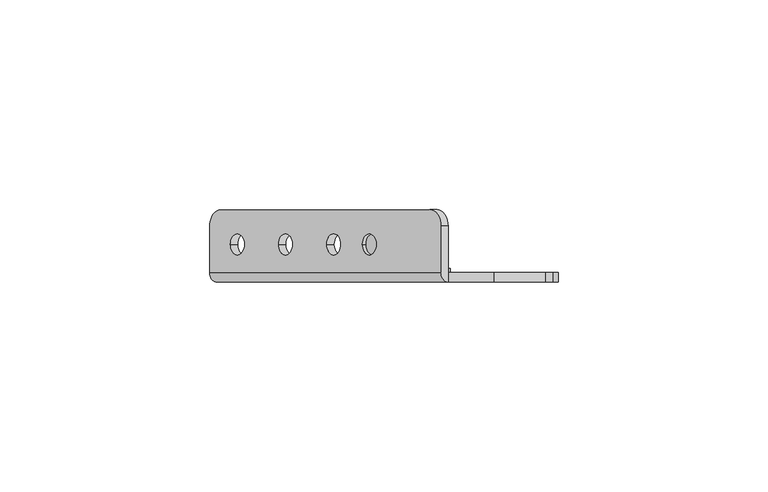
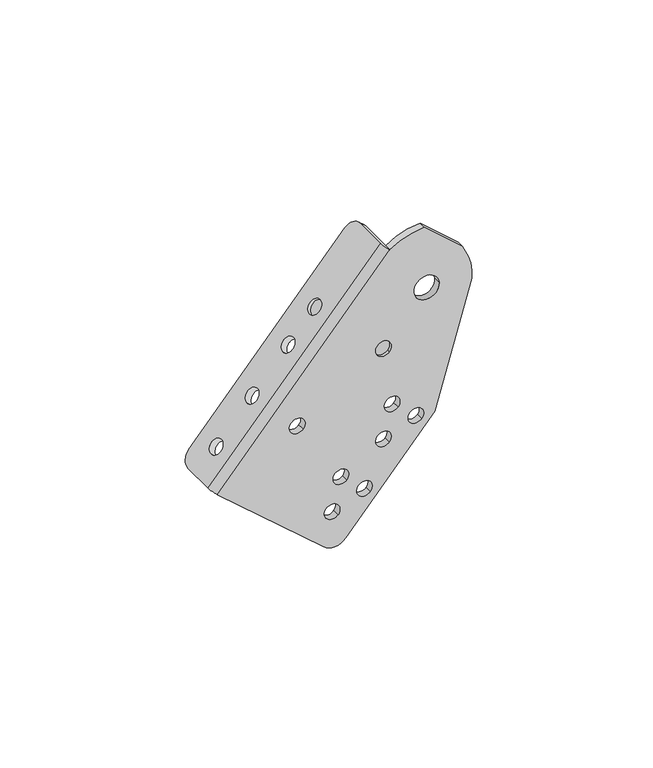
"""IFC4 building model written with IfcOpenShell, lengths in millimetres: proxy geometry."""

from ifc_helpers import new_model, si_unit, frame, origin, place, context, project, spatial, polyline, circle_curve, source, transform, mapped, element, save
from ifc_brep_helpers import plane_surface, cylinder_surface, revolved_surface, advanced_brep


def mechanical_equipment_f65ad58a(model_context):
    return source(origin(), model_context, "Body", "AdvancedBrep", [
        advanced_brep(
        [(-36.1097078, 12.2834534, -4.1078157), (-38.7119955, 16.2499985, -7.1014052), (-88.5847766, 16.2499985, -64.473477), (-91.2086869, 12.196215, -67.4919405), (-91.2086869, 1.2499985, -67.4919405), (-36.0997285, 1.2499985, -4.0963358), (-86.2882442, 7.953236, -61.8316186), (-83.0079491, 7.953236, -58.0580707), (-74.8072112, 7.953236, -48.624201), (-71.5269161, 7.953236, -44.8506531), (-63.3261782, 7.953236, -35.4167833), (-60.0458831, 7.953236, -31.6432354), (-54.7974108, 7.9499985, -25.6055588), (-51.5171157, 7.9499985, -21.8320109), (-89.4728549, 12.196215, -69.0008763), (-86.8489446, 16.1957184, -65.9824127), (-36.9761635, 16.2499985, -8.610341), (-34.3738758, 12.2834534, -5.6167514), (-34.3638965, 1.2499985, -5.6052715), (-89.4728549, 1.2499985, -69.0008763), (-84.5524122, 7.953236, -63.3405544), (-81.272117, 7.953236, -59.5670065), (-73.0713792, 7.953236, -50.1331368), (-69.791084, 7.953236, -46.3595889), (-61.5903462, 7.953236, -36.9257191), (-58.310051, 7.953236, -33.1521712), (-49.7812836, 7.9499985, -23.3409467), (-53.0615788, 7.9499985, -27.1144946), (-34.3638965, -1.0500015, -5.6052715), (-55.5109238, 1.2499985, -98.5235326), (-55.5109238, -1.0500015, -98.5235326), (-89.4728549, -1.0500015, -69.0008763), (-54.0427012, 7.9499985, -26.2616178), (-50.7624061, 7.9499985, -22.4880699), (-48.4570807, -1.0500015, -98.0302798), (-19.9737071, -1.0500015, -65.2639067), (-8.2342794, -1.0500015, -24.3236567), (-9.3657766, -1.0500015, -16.5482615), (-11.1544715, -1.0500015, -12.5307869), (-23.356379, -1.0500015, -1.9238305), (-18.6219295, -1.0500015, -22.1669169), (-26.6024419, -1.0500015, -22.7249687), (-65.8330954, -1.0500015, -53.1127483), (-62.0595475, -1.0500015, -56.3930435), (-35.4843229, -1.0500015, -56.3068064), (-31.710775, -1.0500015, -59.5871015), (-27.9372271, -1.0500015, -62.8673967), (-24.1636792, -1.0500015, -66.1476918), (-38.2713653, -1.0500015, -67.1341973), (-34.4978174, -1.0500015, -70.4144925), (-51.8857987, -1.0500015, -75.1745459), (-48.1122508, -1.0500015, -78.454841), (-44.3387029, -1.0500015, -81.7351362), (-40.5651549, -1.0500015, -85.0154313), (-54.672841, -1.0500015, -86.0019368), (-50.8992931, -1.0500015, -89.282232), (-38.2761993, -1.0500015, -36.6546964), (-34.5026514, -1.0500015, -39.9349916), (-23.356379, 1.2499985, -1.9238305), (-11.1544715, 1.2499985, -12.5307869), (-9.3657766, 1.2499985, -16.5482615), (-8.2342794, 1.2499985, -24.3236567), (-19.9737071, 1.2499985, -65.2639067), (-48.4570807, 1.2499985, -98.0302798), (-18.6219295, 1.2499985, -22.1669169), (-26.6024419, 1.2499985, -22.7249687), (-65.8330954, 1.2499985, -53.1127483), (-62.0595475, 1.2499985, -56.3930435), (-35.4843229, 1.2499985, -56.3068064), (-31.710775, 1.2499985, -59.5871015), (-27.9372271, 1.2499985, -62.8673967), (-24.1636792, 1.2499985, -66.1476918), (-38.2713653, 1.2499985, -67.1341973), (-34.4978174, 1.2499985, -70.4144925), (-51.8857987, 1.2499985, -75.1745459), (-48.1122508, 1.2499985, -78.454841), (-44.3387029, 1.2499985, -81.7351362), (-40.5651549, 1.2499985, -85.0154313), (-54.672841, 1.2499985, -86.0019368), (-50.8992931, 1.2499985, -89.282232), (-33.8955152, 1.2499985, -38.1204528), (-38.2761993, 1.2499985, -36.6546964), (-38.8833354, 1.2499985, -38.4692352), (-34.5026514, 1.2499985, -39.9349916), (-33.8955152, -0.0500015, -38.1204528), (-38.2761993, -0.0500015, -36.6546964), (-38.8833354, -0.0500015, -38.4692352), (-34.5026514, -0.0500015, -39.9349916), (-33.8955152, 2.2499985, -38.1204528), (-38.8833354, 2.2499985, -38.4692352), (-52.3068692, 7.9499985, -27.7705536), (-49.0265741, 7.9499985, -23.9970057)],
        [
            (0, 1, circle_curve(frame((-38.7119955, 12.2834534, -7.1014052), z_axis=(-0.754709580222771, 0.0, 0.6560590289905086), x_axis=(-0.6560590289905085, 0.0, -0.7547095802227708)), 3.9665451)),
            (1, 2),
            (2, 3, circle_curve(frame((-88.5847766, 12.196215, -64.473477), z_axis=(-0.754709580222771, 0.0, 0.6560590289905086), x_axis=(-0.6560590289905085, 0.0, -0.7547095802227708)), 3.9995034)),
            (3, 4),
            (4, 5),
            (5, 0),
            (6, 7, circle_curve(frame((-84.6480966, 7.953236, -59.9448447), z_axis=(0.7547095802227708, 0.0, -0.6560590289905086), x_axis=(0.6560590289905086, 0.0, 0.7547095802227708)), 2.5)),
            (7, 6, circle_curve(frame((-84.6480966, 7.953236, -59.9448447), z_axis=(0.7547095802227708, 0.0, -0.6560590289905086), x_axis=(0.6560590289905086, 0.0, 0.7547095802227708)), 2.5)),
            (8, 9, circle_curve(frame((-73.1670636, 7.953236, -46.737427), z_axis=(0.7547095802227708, 0.0, -0.6560590289905086), x_axis=(0.6560590289905086, 0.0, 0.7547095802227708)), 2.5)),
            (9, 8, circle_curve(frame((-73.1670636, 7.953236, -46.737427), z_axis=(0.7547095802227708, 0.0, -0.6560590289905086), x_axis=(0.6560590289905086, 0.0, 0.7547095802227708)), 2.5)),
            (10, 11, circle_curve(frame((-61.6860306, 7.953236, -33.5300094), z_axis=(0.7547095802227708, 0.0, -0.6560590289905086), x_axis=(0.6560590289905086, 0.0, 0.7547095802227708)), 2.5)),
            (11, 10, circle_curve(frame((-61.6860306, 7.953236, -33.5300094), z_axis=(0.7547095802227708, 0.0, -0.6560590289905086), x_axis=(0.6560590289905086, 0.0, 0.7547095802227708)), 2.5)),
            (12, 13, circle_curve(frame((-53.1572632, 7.9499985, -23.7187848), z_axis=(0.7547095802227708, 0.0, -0.6560590289905086), x_axis=(0.6560590289905086, 0.0, 0.7547095802227708)), 2.5)),
            (13, 12, circle_curve(frame((-53.1572632, 7.9499985, -23.7187848), z_axis=(0.7547095802227708, 0.0, -0.6560590289905086), x_axis=(0.6560590289905086, 0.0, 0.7547095802227708)), 2.5)),
            (14, 15, circle_curve(frame((-86.8489446, 12.196215, -65.9824127), z_axis=(0.754709580222771, 0.0, -0.6560590289905086), x_axis=(-0.6560590289905085, 0.0, -0.7547095802227708)), 3.9995034)),
            (15, 16),
            (16, 17, circle_curve(frame((-36.9761635, 12.2834534, -8.610341), z_axis=(0.754709580222771, 0.0, -0.6560590289905086), x_axis=(-0.6560590289905085, 0.0, -0.7547095802227708)), 3.9665451)),
            (17, 18),
            (18, 19),
            (19, 14),
            (20, 21, circle_curve(frame((-82.9122646, 7.953236, -61.4537805), z_axis=(-0.7547095802227708, 0.0, 0.6560590289905086), x_axis=(0.6560590289905086, 0.0, 0.7547095802227708)), 2.5)),
            (21, 20, circle_curve(frame((-82.9122646, 7.953236, -61.4537805), z_axis=(-0.7547095802227708, 0.0, 0.6560590289905086), x_axis=(0.6560590289905086, 0.0, 0.7547095802227708)), 2.5)),
            (22, 23, circle_curve(frame((-71.4312316, 7.953236, -48.2463628), z_axis=(-0.7547095802227708, 0.0, 0.6560590289905086), x_axis=(0.6560590289905086, 0.0, 0.7547095802227708)), 2.5)),
            (23, 22, circle_curve(frame((-71.4312316, 7.953236, -48.2463628), z_axis=(-0.7547095802227708, 0.0, 0.6560590289905086), x_axis=(0.6560590289905086, 0.0, 0.7547095802227708)), 2.5)),
            (24, 25, circle_curve(frame((-59.9501986, 7.953236, -35.0389451), z_axis=(-0.7547095802227708, 0.0, 0.6560590289905086), x_axis=(0.6560590289905086, 0.0, 0.7547095802227708)), 2.5)),
            (25, 24, circle_curve(frame((-59.9501986, 7.953236, -35.0389451), z_axis=(-0.7547095802227708, 0.0, 0.6560590289905086), x_axis=(0.6560590289905086, 0.0, 0.7547095802227708)), 2.5)),
            (26, 27, circle_curve(frame((-51.4214312, 7.9499985, -25.2277206), z_axis=(-0.7547095802227715, 0.0, 0.6560590289905078), x_axis=(0.6560590289905078, 0.0, 0.7547095802227715)), 2.5)),
            (27, 26, circle_curve(frame((-51.4214312, 7.9499985, -25.2277206), z_axis=(-0.7547095802227715, 0.0, 0.6560590289905078), x_axis=(0.6560590289905078, 0.0, 0.7547095802227715)), 2.5)),
            (17, 0),
            (5, 28, circle_curve(frame((-34.3638965, 1.2499985, -5.6052715), z_axis=(0.6560590289905086, 0.0, 0.7547095802227711), x_axis=(0.0, -1.0, 0.0)), 2.3)),
            (28, 18),
            (16, 1),
            (15, 2),
            (14, 3),
            (19, 29),
            (29, 30),
            (30, 31),
            (31, 4, circle_curve(frame((-89.4728549, 1.2499985, -69.0008763), z_axis=(-0.6560590289905086, 0.0, -0.7547095802227711), x_axis=(0.0, -1.0, 0.0)), 2.3)),
            (6, 20),
            (21, 7),
            (8, 22),
            (23, 9),
            (10, 24),
            (25, 11),
            (12, 32),
            (32, 33, circle_curve(frame((-52.4025537, 7.9499985, -24.3748439), z_axis=(0.7547095802227708, 0.0, -0.6560590289905086), x_axis=(0.6560590289905086, 0.0, 0.7547095802227708)), 2.5)),
            (33, 13),
            (33, 32, circle_curve(frame((-52.4025537, 7.9499985, -24.3748439), z_axis=(0.7547095802227708, 0.0, -0.6560590289905086), x_axis=(0.6560590289905086, 0.0, 0.7547095802227708)), 2.5)),
            (30, 34, circle_curve(frame((-52.2306286, -1.0500015, -94.7499847), z_axis=(0.0, -1.0, 0.0), x_axis=(0.9975640502598244, 0.0, 0.06975647374412236)), 5.0)),
            (34, 35),
            (35, 36),
            (36, 37, circle_curve(frame((-22.6121857, -1.0500015, -22.4459428), z_axis=(0.0, -1.0, 0.0), x_axis=(0.9975640502598244, 0.0, 0.06975647374412236)), 14.5)),
            (37, 38),
            (38, 39),
            (39, 28, circle_curve(frame((-22.6121857, -1.0500015, -22.4459428), z_axis=(0.0, -1.0, 0.0), x_axis=(0.9975640502598244, 0.0, 0.06975647374412236)), 20.5356012)),
            (28, 31),
            (40, 41, circle_curve(frame((-22.6121857, -1.0500015, -22.4459428), z_axis=(0.0, 1.0, 0.0), x_axis=(0.9975640502598244, 0.0, 0.06975647374412236)), 4.0)),
            (41, 40, circle_curve(frame((-22.6121857, -1.0500015, -22.4459428), z_axis=(0.0, 1.0, 0.0), x_axis=(0.9975640502598244, 0.0, 0.06975647374412236)), 4.0)),
            (42, 43, circle_curve(frame((-63.9463215, -1.0500015, -54.7528959), z_axis=(0.0, 1.0, 0.0), x_axis=(0.7547095802227715, 0.0, -0.6560590289905078)), 2.5)),
            (43, 42, circle_curve(frame((-63.9463215, -1.0500015, -54.7528959), z_axis=(0.0, 1.0, 0.0), x_axis=(0.7547095802227715, 0.0, -0.6560590289905078)), 2.5)),
            (44, 45, circle_curve(frame((-33.597549, -1.0500015, -57.946954), z_axis=(0.0, 1.0, 0.0), x_axis=(0.7547095802227715, 0.0, -0.6560590289905078)), 2.5)),
            (45, 44, circle_curve(frame((-33.597549, -1.0500015, -57.946954), z_axis=(0.0, 1.0, 0.0), x_axis=(0.7547095802227715, 0.0, -0.6560590289905078)), 2.5)),
            (46, 47, circle_curve(frame((-26.0504532, -1.0500015, -64.5075443), z_axis=(0.0, 1.0, 0.0), x_axis=(0.7547095802227715, 0.0, -0.6560590289905078)), 2.5)),
            (47, 46, circle_curve(frame((-26.0504532, -1.0500015, -64.5075443), z_axis=(0.0, 1.0, 0.0), x_axis=(0.7547095802227715, 0.0, -0.6560590289905078)), 2.5)),
            (48, 49, circle_curve(frame((-36.3845914, -1.0500015, -68.7743449), z_axis=(0.0, 1.0, 0.0), x_axis=(0.7547095802227715, 0.0, -0.6560590289905078)), 2.5)),
            (49, 48, circle_curve(frame((-36.3845914, -1.0500015, -68.7743449), z_axis=(0.0, 1.0, 0.0), x_axis=(0.7547095802227715, 0.0, -0.6560590289905078)), 2.5)),
            (50, 51, circle_curve(frame((-49.9990247, -1.0500015, -76.8146935), z_axis=(0.0, 1.0, 0.0), x_axis=(0.7547095802227715, 0.0, -0.6560590289905078)), 2.5)),
            (51, 50, circle_curve(frame((-49.9990247, -1.0500015, -76.8146935), z_axis=(0.0, 1.0, 0.0), x_axis=(0.7547095802227715, 0.0, -0.6560590289905078)), 2.5)),
            (52, 53, circle_curve(frame((-42.4519289, -1.0500015, -83.3752838), z_axis=(0.0, 1.0, 0.0), x_axis=(0.7547095802227715, 0.0, -0.6560590289905078)), 2.5)),
            (53, 52, circle_curve(frame((-42.4519289, -1.0500015, -83.3752838), z_axis=(0.0, 1.0, 0.0), x_axis=(0.7547095802227715, 0.0, -0.6560590289905078)), 2.5)),
            (54, 55, circle_curve(frame((-52.7860671, -1.0500015, -87.6420844), z_axis=(0.0, 1.0, 0.0), x_axis=(0.7547095802227715, 0.0, -0.6560590289905078)), 2.5)),
            (55, 54, circle_curve(frame((-52.7860671, -1.0500015, -87.6420844), z_axis=(0.0, 1.0, 0.0), x_axis=(0.7547095802227715, 0.0, -0.6560590289905078)), 2.5)),
            (56, 57, circle_curve(frame((-36.3894253, -1.0500015, -38.294844), z_axis=(0.0, 1.0, 0.0), x_axis=(0.7547095802227715, 0.0, -0.6560590289905078)), 2.5)),
            (57, 56, circle_curve(frame((-36.3894253, -1.0500015, -38.294844), z_axis=(0.0, 1.0, 0.0), x_axis=(0.7547095802227715, 0.0, -0.6560590289905078)), 2.5)),
            (18, 58, circle_curve(frame((-22.6121857, 1.2499985, -22.4459428), z_axis=(0.0, 1.0, 0.0), x_axis=(0.9975640502598244, 0.0, 0.06975647374412236)), 20.5356012)),
            (58, 59),
            (59, 60),
            (60, 61, circle_curve(frame((-22.6121857, 1.2499985, -22.4459428), z_axis=(0.0, 1.0, 0.0), x_axis=(0.9975640502598244, 0.0, 0.06975647374412236)), 14.5)),
            (61, 62),
            (62, 63),
            (63, 29, circle_curve(frame((-52.2306286, 1.2499985, -94.7499847), z_axis=(0.0, 1.0, 0.0), x_axis=(0.9975640502598244, 0.0, 0.06975647374412236)), 5.0)),
            (64, 65, circle_curve(frame((-22.6121857, 1.2499985, -22.4459428), z_axis=(0.0, -1.0, 0.0), x_axis=(0.9975640502598244, 0.0, 0.06975647374412236)), 4.0)),
            (65, 64, circle_curve(frame((-22.6121857, 1.2499985, -22.4459428), z_axis=(0.0, -1.0, 0.0), x_axis=(0.9975640502598244, 0.0, 0.06975647374412236)), 4.0)),
            (66, 67, circle_curve(frame((-63.9463215, 1.2499985, -54.7528959), z_axis=(0.0, -1.0, 0.0), x_axis=(0.7547095802227715, 0.0, -0.6560590289905078)), 2.5)),
            (67, 66, circle_curve(frame((-63.9463215, 1.2499985, -54.7528959), z_axis=(0.0, -1.0, 0.0), x_axis=(0.7547095802227715, 0.0, -0.6560590289905078)), 2.5)),
            (68, 69, circle_curve(frame((-33.597549, 1.2499985, -57.946954), z_axis=(0.0, -1.0, 0.0), x_axis=(0.7547095802227715, 0.0, -0.6560590289905078)), 2.5)),
            (69, 68, circle_curve(frame((-33.597549, 1.2499985, -57.946954), z_axis=(0.0, -1.0, 0.0), x_axis=(0.7547095802227715, 0.0, -0.6560590289905078)), 2.5)),
            (70, 71, circle_curve(frame((-26.0504532, 1.2499985, -64.5075443), z_axis=(0.0, -1.0, 0.0), x_axis=(0.7547095802227715, 0.0, -0.6560590289905078)), 2.5)),
            (71, 70, circle_curve(frame((-26.0504532, 1.2499985, -64.5075443), z_axis=(0.0, -1.0, 0.0), x_axis=(0.7547095802227715, 0.0, -0.6560590289905078)), 2.5)),
            (72, 73, circle_curve(frame((-36.3845914, 1.2499985, -68.7743449), z_axis=(0.0, -1.0, 0.0), x_axis=(0.7547095802227715, 0.0, -0.6560590289905078)), 2.5)),
            (73, 72, circle_curve(frame((-36.3845914, 1.2499985, -68.7743449), z_axis=(0.0, -1.0, 0.0), x_axis=(0.7547095802227715, 0.0, -0.6560590289905078)), 2.5)),
            (74, 75, circle_curve(frame((-49.9990247, 1.2499985, -76.8146935), z_axis=(0.0, -1.0, 0.0), x_axis=(0.7547095802227715, 0.0, -0.6560590289905078)), 2.5)),
            (75, 74, circle_curve(frame((-49.9990247, 1.2499985, -76.8146935), z_axis=(0.0, -1.0, 0.0), x_axis=(0.7547095802227715, 0.0, -0.6560590289905078)), 2.5)),
            (76, 77, circle_curve(frame((-42.4519289, 1.2499985, -83.3752838), z_axis=(0.0, -1.0, 0.0), x_axis=(0.7547095802227715, 0.0, -0.6560590289905078)), 2.5)),
            (77, 76, circle_curve(frame((-42.4519289, 1.2499985, -83.3752838), z_axis=(0.0, -1.0, 0.0), x_axis=(0.7547095802227715, 0.0, -0.6560590289905078)), 2.5)),
            (78, 79, circle_curve(frame((-52.7860671, 1.2499985, -87.6420844), z_axis=(0.0, -1.0, 0.0), x_axis=(0.7547095802227715, 0.0, -0.6560590289905078)), 2.5)),
            (79, 78, circle_curve(frame((-52.7860671, 1.2499985, -87.6420844), z_axis=(0.0, -1.0, 0.0), x_axis=(0.7547095802227715, 0.0, -0.6560590289905078)), 2.5)),
            (80, 81, circle_curve(frame((-36.3894253, 1.2499985, -38.294844), z_axis=(0.0, -1.0, 0.0), x_axis=(0.9975640502598244, 0.0, 0.06975647374412236)), 2.5)),
            (81, 82, circle_curve(frame((-36.3894253, 1.2499985, -38.294844), z_axis=(0.0, -1.0, 0.0), x_axis=(0.9975640502598244, 0.0, 0.06975647374412236)), 2.5)),
            (82, 83, circle_curve(frame((-36.3894253, 1.2499985, -38.294844), z_axis=(0.0, -1.0, 0.0), x_axis=(0.9975640502598244, 0.0, 0.06975647374412236)), 2.5)),
            (83, 80, circle_curve(frame((-36.3894253, 1.2499985, -38.294844), z_axis=(0.0, -1.0, 0.0), x_axis=(0.9975640502598244, 0.0, 0.06975647374412236)), 2.5)),
            (63, 34),
            (62, 35),
            (61, 36),
            (60, 37),
            (59, 38),
            (58, 39),
            (40, 64),
            (65, 41),
            (84, 85, circle_curve(frame((-36.3894253, -0.0500015, -38.294844), z_axis=(0.0, -1.0, 0.0), x_axis=(0.7547095802227715, 0.0, -0.6560590289905078)), 2.5)),
            (85, 86, circle_curve(frame((-36.3894253, -0.0500015, -38.294844), z_axis=(0.0, -1.0, 0.0), x_axis=(0.7547095802227715, 0.0, -0.6560590289905078)), 2.5)),
            (86, 87, circle_curve(frame((-36.3894253, -0.0500015, -38.294844), z_axis=(0.0, -1.0, 0.0), x_axis=(0.7547095802227715, 0.0, -0.6560590289905078)), 2.5)),
            (87, 84, circle_curve(frame((-36.3894253, -0.0500015, -38.294844), z_axis=(0.0, -1.0, 0.0), x_axis=(0.7547095802227715, 0.0, -0.6560590289905078)), 2.5)),
            (88, 89, circle_curve(frame((-36.3894253, 2.2499985, -38.294844), z_axis=(0.0, 1.0, 0.0), x_axis=(0.9975640502598244, 0.0, 0.06975647374412236)), 2.5)),
            (89, 88, circle_curve(frame((-36.3894253, 2.2499985, -38.294844), z_axis=(0.0, 1.0, 0.0), x_axis=(0.9975640502598244, 0.0, 0.06975647374412236)), 2.5)),
            (89, 82),
            (80, 88),
            (90, 91, circle_curve(frame((-50.6667216, 7.9499985, -25.8837796), z_axis=(0.7547095802227715, 0.0, -0.6560590289905078), x_axis=(0.6560590289905078, 0.0, 0.7547095802227715)), 2.5)),
            (91, 90, circle_curve(frame((-50.6667216, 7.9499985, -25.8837796), z_axis=(0.7547095802227715, 0.0, -0.6560590289905078), x_axis=(0.6560590289905078, 0.0, 0.7547095802227715)), 2.5)),
            (90, 27),
            (26, 91),
            (42, 66),
            (67, 43),
            (44, 68),
            (69, 45),
            (46, 70),
            (71, 47),
            (48, 72),
            (73, 49),
            (50, 74),
            (75, 51),
            (52, 76),
            (77, 53),
            (54, 78),
            (79, 55),
            (56, 85),
            (87, 57),
        ],
        [
            plane_surface(frame((-36.0997285, -1.0593878, -4.0963358), z_axis=(-0.7547095802227708, 0.0, 0.6560590289905086), x_axis=(0.0, 1.0, 0.0))),
            plane_surface(frame((-34.3638965, -1.0593878, -5.6052715), z_axis=(0.7547095802227708, 0.0, -0.6560590289905086), x_axis=(0.0, -1.0, 0.0))),
            plane_surface(frame((-36.0997285, -1.0500015, -4.0963358), z_axis=(0.6560590289905086, 0.0, 0.754709580222771), x_axis=(0.754709580222771, 0.0, -0.6560590289905086))),
            cylinder_surface(frame((-36.9761635, 12.2834534, -8.610341), z_axis=(-0.7547095802227708, 0.0, 0.6560590289905085), x_axis=(-0.6560590289905085, 0.0, -0.7547095802227708)), 3.9665451),
            plane_surface(frame((-38.7119955, 16.2499985, -7.1014052), z_axis=(0.0, 1.0000000000000002, 0.0), x_axis=(0.754709580222771, 0.0, -0.6560590289905086))),
            cylinder_surface(frame((-86.8489446, 12.196215, -65.9824127), z_axis=(-0.7547095802227708, 0.0, 0.6560590289905085), x_axis=(-0.6560590289905085, 0.0, -0.7547095802227708)), 3.9995034),
            plane_surface(frame((-91.2086869, 12.196215, -67.4919405), z_axis=(-0.6560590289905078, 0.0, -0.7547095802227715), x_axis=(0.7547095802227715, 0.0, -0.6560590289905078))),
            revolved_surface(polyline([(-81.27211702752373, 7.953236, -59.56700654944307), (-83.00794912463955, 7.953236, -58.05807072834455)]), (-82.9122646, 7.953236, -61.4537805), (0.7547095802227708, 0.0, -0.6560590289905086)),
            revolved_surface(polyline([(-69.79108398681413, 7.953236, -46.35958888483139), (-71.52691607512615, 7.953236, -44.850653071385906)]), (-71.4312316, 7.953236, -48.2463628), (0.7547095802227708, 0.0, -0.6560590289905086)),
            revolved_surface(polyline([(-58.310050986814126, 7.953236, -33.15217118483139), (-60.04588307512614, 7.953236, -31.643235371385902)]), (-59.9501986, 7.953236, -35.0389451), (0.7547095802227708, 0.0, -0.6560590289905086)),
            revolved_surface(polyline([(-50.76240607293986, 7.9499985, -22.488069919469), (-51.51711567512614, 7.9499985, -21.832010871385908)]), (-51.4214312, 7.9499985, -25.2277206), (0.7547095802227708, 0.0, -0.6560590289905086)),
            plane_surface(frame((-89.4728549, -1.0500015, -69.0008763), z_axis=(0.0, -1.0, 0.0), x_axis=(-0.6560590289905086, 0.0, -0.7547095802227708))),
            plane_surface(frame((-89.4728549, 1.2499985, -69.0008763), z_axis=(0.0, 1.0, 0.0), x_axis=(0.6560590289905086, 0.0, 0.7547095802227708))),
            cylinder_surface(frame((-52.2306286, 1.2499985, -94.7499847), z_axis=(0.0, -1.0, 0.0), x_axis=(0.9975640502598244, 0.0, 0.06975647374412236)), 5.0),
            plane_surface(frame((-48.4570807, -1.0500015, -98.0302798), z_axis=(0.7547095802227671, 0.0, -0.6560590289905128), x_axis=(0.0, 1.0, 0.0))),
            plane_surface(frame((-19.9737071, -1.0500015, -65.2639067), z_axis=(0.9612616959383191, 0.0, -0.2756373558169988), x_axis=(0.0, 1.0, 0.0))),
            cylinder_surface(frame((-22.6121857, 1.2499985, -22.4459428), z_axis=(0.0, -1.0, 0.0), x_axis=(0.9975640502598244, 0.0, 0.06975647374412236)), 14.5),
            plane_surface(frame((-9.3657766, -1.0500015, -16.5482615), z_axis=(0.9135454576426341, 0.0, 0.40673664307572577), x_axis=(0.0, 1.0, 0.0))),
            plane_surface(frame((-11.1544715, -1.0500015, -12.5307869), z_axis=(0.6560590289905057, 0.0, 0.7547095802227735), x_axis=(0.0, 1.0, 0.0))),
            cylinder_surface(frame((-22.6121857, 1.2499985, -22.4459428), z_axis=(0.0, -1.0, 0.0), x_axis=(0.9975640502598244, 0.0, 0.06975647374412236)), 20.5356012),
            revolved_surface(polyline([(-18.621929498960704, 1.2499985, -22.166916905023513), (-18.621929498960704, -1.0500014999999998, -22.166916905023513)]), (-22.6121857, 1.2499985, -22.4459428), (0.0, 1.0, 0.0)),
            plane_surface(frame((-33.8955152, -0.0500015, -38.1204528), z_axis=(0.0, -1.0, 0.0), x_axis=(-0.06975647374412236, 0.0, 0.9975640502598244))),
            plane_surface(frame((-33.8955152, 2.2499985, -38.1204528), z_axis=(0.0, 1.0, 0.0), x_axis=(0.06975647374412236, 0.0, -0.9975640502598244))),
            cylinder_surface(frame((-36.3894253, 2.2499985, -38.294844), z_axis=(0.0, -1.0, 0.0), x_axis=(0.9975640502598244, 0.0, 0.06975647374412236)), 2.5),
            plane_surface(frame((-49.0265741, 7.9499985, -23.9970057), z_axis=(0.7547095802227715, 0.0, -0.6560590289905078), x_axis=(0.0, -1.0, 0.0))),
            plane_surface(frame((-50.7624061, 7.9499985, -22.4880699), z_axis=(-0.7547095802227715, 0.0, 0.6560590289905078), x_axis=(0.0, 1.0, 0.0))),
            cylinder_surface(frame((-52.4025537, 7.9499985, -24.3748439), z_axis=(0.7547095802227715, 0.0, -0.6560590289905078), x_axis=(0.6560590289905078, 0.0, 0.7547095802227715)), 2.5),
            cylinder_surface(frame((-89.4728549, 1.2499985, -69.0008763), z_axis=(0.6560590289905085, 0.0, 0.7547095802227709), x_axis=(0.0, -1.0, 0.0)), 2.3),
            revolved_surface(polyline([(-62.059547549443074, 1.2499985, -56.393043472476265), (-62.059547549443074, -1.0500014999999998, -56.393043472476265)]), (-63.9463215, 1.2499985, -54.7528959), (0.0, 1.0, 0.0)),
            revolved_surface(polyline([(-31.710775049443072, 1.2499985, -59.587101572476264), (-31.710775049443072, -1.0500014999999998, -59.587101572476264)]), (-33.597549, 1.2499985, -57.946954), (0.0, 1.0, 0.0)),
            revolved_surface(polyline([(-24.16367924944307, 1.2499985, -66.14769187247627), (-24.16367924944307, -1.0500014999999998, -66.14769187247627)]), (-26.0504532, 1.2499985, -64.5075443), (0.0, 1.0, 0.0)),
            revolved_surface(polyline([(-34.49781744944307, 1.2499985, -70.41449247247627), (-34.49781744944307, -1.0500014999999998, -70.41449247247627)]), (-36.3845914, 1.2499985, -68.7743449), (0.0, 1.0, 0.0)),
            revolved_surface(polyline([(-48.11225074944307, 1.2499985, -78.45484107247627), (-48.11225074944307, -1.0500014999999998, -78.45484107247627)]), (-49.9990247, 1.2499985, -76.8146935), (0.0, 1.0, 0.0)),
            revolved_surface(polyline([(-40.56515494944307, 1.2499985, -85.01543137247627), (-40.56515494944307, -1.0500014999999998, -85.01543137247627)]), (-42.4519289, 1.2499985, -83.3752838), (0.0, 1.0, 0.0)),
            revolved_surface(polyline([(-50.89929314944307, 1.2499985, -89.28223197247627), (-50.89929314944307, -1.0500014999999998, -89.28223197247627)]), (-52.7860671, 1.2499985, -87.6420844), (0.0, 1.0, 0.0)),
            revolved_surface(polyline([(-34.50265134944307, -0.05000150000000003, -39.934991572476264), (-34.50265134944307, -1.0500014999999998, -39.934991572476264)]), (-36.3894253, 1.2499985, -38.294844), (0.0, 1.0, 0.0)),
        ],
        [
            (0, [[1, 2, 3, 4, 5, 6], [7, 8], [9, 10], [11, 12], [13, 14]]),
            (1, [[15, 16, 17, 18, 19, 20], [21, 22], [23, 24], [25, 26], [27, 28]]),
            (2, [[29, -6, 30, 31, -18]]),
            (3, [[-1, -29, -17, 32]]),
            (4, [[-2, -32, -16, 33]]),
            (5, [[-3, -33, -15, 34]]),
            (6, [[-34, -20, 35, 36, 37, 38, -4]]),
            (7, [[-7, 39, -22, 40]]),
            (7, [[-8, -40, -21, -39]]),
            (8, [[-9, 41, -24, 42]]),
            (8, [[-10, -42, -23, -41]]),
            (9, [[-11, 43, -26, 44]]),
            (9, [[-12, -44, -25, -43]]),
            (10, [[-13, 45, 46, 47]]),
            (10, [[-14, -47, 48, -45]]),
            (11, [[-37, 49, 50, 51, 52, 53, 54, 55, 56], [57, 58], [59, 60], [61, 62], [63, 64], [65, 66], [67, 68], [69, 70], [71, 72], [73, 74]]),
            (12, [[75, 76, 77, 78, 79, 80, 81, -35, -19], [82, 83], [84, 85], [86, 87], [88, 89], [90, 91], [92, 93], [94, 95], [96, 97], [98, 99, 100, 101]]),
            (13, [[-49, -36, -81, 102]]),
            (14, [[-50, -102, -80, 103]]),
            (15, [[-51, -103, -79, 104]]),
            (16, [[-52, -104, -78, 105]]),
            (17, [[-53, -105, -77, 106]]),
            (18, [[-54, -106, -76, 107]]),
            (19, [[-55, -107, -75, -31]]),
            (20, [[-57, 108, -83, 109]]),
            (20, [[-58, -109, -82, -108]]),
            (21, [[110, 111, 112, 113]]),
            (22, [[114, 115]]),
            (23, [[-115, 116, -99, -98, 117]]),
            (23, [[-114, -117, -101, -100, -116]]),
            (24, [[118, 119]]),
            (25, [[-46, -48]]),
            (26, [[-118, 120, -27, 121]]),
            (26, [[-119, -121, -28, -120]]),
            (27, [[-5, -38, -56, -30]]),
            (28, [[-59, 122, -85, 123]]),
            (28, [[-60, -123, -84, -122]]),
            (29, [[-61, 124, -87, 125]]),
            (29, [[-62, -125, -86, -124]]),
            (30, [[-63, 126, -89, 127]]),
            (30, [[-64, -127, -88, -126]]),
            (31, [[-65, 128, -91, 129]]),
            (31, [[-66, -129, -90, -128]]),
            (32, [[-67, 130, -93, 131]]),
            (32, [[-68, -131, -92, -130]]),
            (33, [[-69, 132, -95, 133]]),
            (33, [[-70, -133, -94, -132]]),
            (34, [[-71, 134, -97, 135]]),
            (34, [[-72, -135, -96, -134]]),
            (35, [[-73, 136, -110, -113, 137]]),
            (35, [[-74, -137, -112, -111, -136]]),
        ],
    ),
    ])


if __name__ == "__main__":
    model = new_model("IFC4")
    model_context = context("Model", 3, world=origin())
    ifc_project = project(units=[si_unit("LENGTHUNIT", "METRE", prefix="MILLI")], contexts=[model_context])
    site = spatial("IfcSite", under=ifc_project)
    building = spatial("IfcBuilding", under=site)
    placement = place(None, origin())
    mechanical_equipment_shape = mechanical_equipment_f65ad58a(model_context)
    element("IfcBuildingElementProxy", 1, Name="Mechanical Equipment", at=placement, inside=building, context=model_context, shape_type="MappedRepresentation", body=[
        mapped(mechanical_equipment_shape, transform((0.0, 0.0, 0.0), x_axis=(1.0, 0.0, 0.0), y_axis=(0.0, 1.0, 0.0), z_axis=(0.0, 0.0, 1.0))),
    ])
    save(model, "model.ifc")
